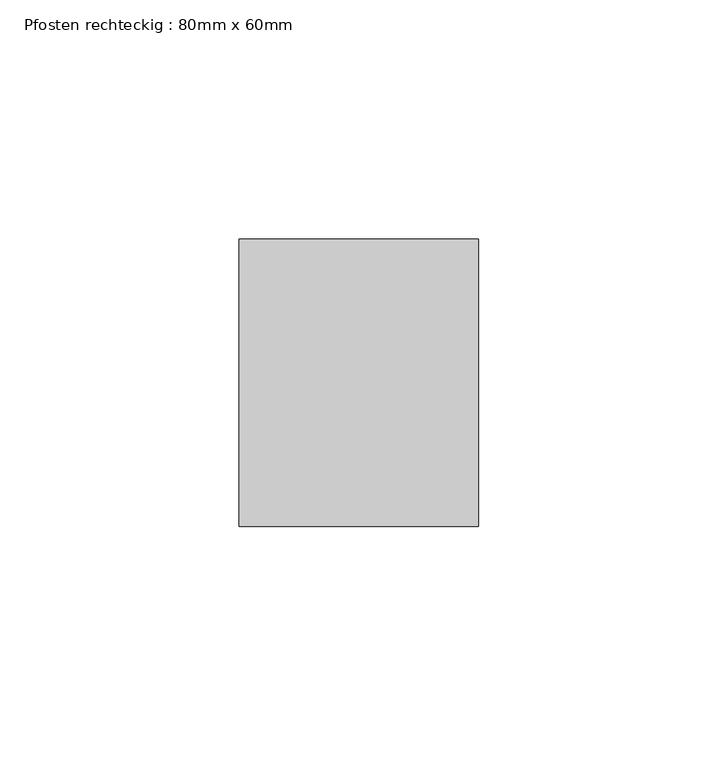
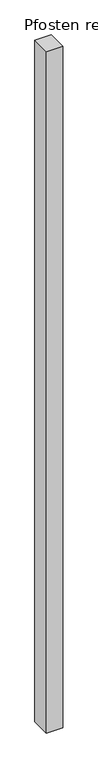
"""IFC4 building model written with IfcOpenShell, lengths in millimetres: member geometry, Pfosten rechteckig : 80mm x 60mm."""

import ifcopenshell
import ifcopenshell.guid

model = None  # the IFC model being written
_history = None  # IfcOwnerHistory: only IFC2X3 demands one
_inside = {}  # id of a spatial element -> (the spatial element, [elements in it])
_under = {}  # id of a project, library or spatial element -> (it, [spatial elements below it])
_declared = {}  # id of a project -> (the project, [libraries it declares])
_typed = {}  # id of a type object -> (the type object, [elements of that type])
_made_of = {}  # id of a material, layer set ... -> (it, [elements and type objects made of it])


def new_model(schema):
    """Start an empty IFC model of exactly this schema.

    Asked for "IFC4X3", IfcOpenShell would pick the latest addendum, in which some entities
    have other attributes; the version numbers below select the first issue.
    IFC2X3 requires an IfcOwnerHistory on every rooted entity: one is made here for all.
    """
    global model, _history
    if schema == "IFC4X3":
        model = ifcopenshell.file(schema_version=(4, 3, 0, 0))
    else:
        model = ifcopenshell.file(schema=schema)
    _inside.clear()
    _under.clear()
    _declared.clear()
    _typed.clear()
    _made_of.clear()
    _history = None
    if model.schema == "IFC2X3":
        org = make("IfcOrganization", Name="unknown")
        user = make(
            "IfcPersonAndOrganization",
            ThePerson=make("IfcPerson", FamilyName="unknown"),
            TheOrganization=org,
        )
        app = make(
            "IfcApplication",
            ApplicationDeveloper=org,
            Version="unknown",
            ApplicationFullName="unknown",
            ApplicationIdentifier="unknown",
        )
        _history = make(
            "IfcOwnerHistory",
            OwningUser=user,
            OwningApplication=app,
            ChangeAction="ADDED",
            CreationDate=0,
        )
    return model


def make(cls, **values):
    """One entity of the class cls with the attributes given. An attribute that is None is left unset."""
    return model.create_entity(
        cls, **{name: value for name, value in values.items() if value is not None}
    )


def rooted(cls, **values):
    """An entity with a GlobalId (a new one), such as an element, a storey or a relation."""
    return make(cls, GlobalId=ifcopenshell.guid.new(), OwnerHistory=_history, **values)


def si_unit(unit_type, name, prefix=None):
    """IfcSIUnit, for example si_unit("LENGTHUNIT", "METRE", prefix="MILLI")."""
    return make("IfcSIUnit", UnitType=unit_type, Prefix=prefix, Name=name)


def assignment(units):
    """IfcUnitAssignment: the units of a project."""
    return None if units is None else make("IfcUnitAssignment", Units=units)


def point(xyz):
    """IfcCartesianPoint."""
    return None if xyz is None else make("IfcCartesianPoint", Coordinates=xyz)


def direction(xyz):
    """IfcDirection."""
    return None if xyz is None else make("IfcDirection", DirectionRatios=xyz)


def frame(location, z_axis=None, x_axis=None):
    """IfcAxis2Placement3D, a coordinate frame: its origin and axes. An axis left out is left unset."""
    return make(
        "IfcAxis2Placement3D",
        Location=point(location),
        Axis=direction(z_axis),
        RefDirection=direction(x_axis),
    )


def origin():
    """The frame at (0, 0, 0) with its axes left unset."""
    return frame((0.0, 0.0, 0.0))


def place(relative_to, where):
    """IfcLocalPlacement: puts the frame where relative to a parent placement (None: the world)."""
    return make(
        "IfcLocalPlacement", PlacementRelTo=relative_to, RelativePlacement=where
    )


def context(
    kind, dimensions, precision=None, world=None, true_north=None, identifier=None
):
    """IfcGeometricRepresentationContext, for example the 3D "Model" context."""
    return make(
        "IfcGeometricRepresentationContext",
        ContextIdentifier=identifier,
        ContextType=kind,
        CoordinateSpaceDimension=dimensions,
        Precision=precision,
        WorldCoordinateSystem=world,
        TrueNorth=true_north,
    )


def project(units=None, contexts=None):
    """IfcProject with its units and contexts."""
    return rooted(
        "IfcProject",
        Name="project",
        RepresentationContexts=contexts,
        UnitsInContext=assignment(units),
    )


def spatial(cls, under=None, at=None, **own):
    """A site, building, storey or space (cls), placed at a placement, below another one or the project."""
    s = rooted(cls, ObjectPlacement=at, **own)
    if under is not None:
        _under.setdefault(under.id(), (under, []))[1].append(s)
    return s


def polyline(points):
    """IfcPolyline through the points."""
    return make("IfcPolyline", Points=[point(p) for p in points])


def outline(outer, holes=None, kind="AREA"):
    """IfcArbitraryClosedProfileDef: a profile drawn as a closed curve; with holes, ...WithVoids."""
    if holes is None:
        return make("IfcArbitraryClosedProfileDef", ProfileType=kind, OuterCurve=outer)
    return make(
        "IfcArbitraryProfileDefWithVoids",
        ProfileType=kind,
        OuterCurve=outer,
        InnerCurves=holes,
    )


def extrude(swept, where, along, depth):
    """IfcExtrudedAreaSolid: the profile swept, set in the frame where, extruded along a direction by depth."""
    return make(
        "IfcExtrudedAreaSolid",
        SweptArea=swept,
        Position=where,
        ExtrudedDirection=direction(along),
        Depth=depth,
    )


def shape(context_of_items, identifier, shape_type, items):
    """IfcShapeRepresentation: the items that make up one representation, for example the "Body"."""
    return make(
        "IfcShapeRepresentation",
        ContextOfItems=context_of_items,
        RepresentationIdentifier=identifier,
        RepresentationType=shape_type,
        Items=items,
    )


def source(mapping_origin, context_of_items, identifier, shape_type, items):
    """IfcRepresentationMap: a shape defined once, which mapped items show again and again."""
    return make(
        "IfcRepresentationMap",
        MappingOrigin=mapping_origin,
        MappedRepresentation=shape(context_of_items, identifier, shape_type, items),
    )


def transform(
    local_origin,
    x_axis=None,
    y_axis=None,
    z_axis=None,
    scale=None,
    scale2=None,
    scale3=None,
    uniform=True,
):
    """IfcCartesianTransformationOperator3D, or its non-uniform kind. x_axis, y_axis, z_axis: its Axis1, 2, 3."""
    if uniform:
        return make(
            "IfcCartesianTransformationOperator3D",
            Axis1=direction(x_axis),
            Axis2=direction(y_axis),
            LocalOrigin=point(local_origin),
            Scale=scale,
            Axis3=direction(z_axis),
        )
    return make(
        "IfcCartesianTransformationOperator3DnonUniform",
        Axis1=direction(x_axis),
        Axis2=direction(y_axis),
        LocalOrigin=point(local_origin),
        Scale=scale,
        Axis3=direction(z_axis),
        Scale2=scale2,
        Scale3=scale3,
    )


def mapped(mapping_source, mapping_target):
    """IfcMappedItem: shows the shape of a source again, moved by a transform."""
    return make(
        "IfcMappedItem", MappingSource=mapping_source, MappingTarget=mapping_target
    )


def made_of(thing, what):
    """Note that an element or type object is made of a material, layer set ...; save() writes the relation."""
    if what is not None:
        _made_of.setdefault(what.id(), (what, []))[1].append(thing)
    return thing


def element(
    cls,
    number,
    at=None,
    inside=None,
    cuts=None,
    type_object=None,
    material=None,
    context=None,
    identifier="Body",
    shape_type=None,
    held_by="IfcProductDefinitionShape",
    body=None,
    shapes=None,
    **own,
):
    """One element of the class cls, such as IfcWall. Its Tag is "e" and its number.

    at: its placement. inside: the storey or other place that contains it. cuts: it is an
    opening in that element (IfcRelVoidsElement). A single representation is given by context,
    identifier, shape_type and body (its items); several are given by shapes. held_by: the class
    of the entity that holds the representations. save() writes the other relations.
    """
    e = rooted(cls, Tag="e%d" % number, ObjectPlacement=at, **own)
    if body is not None:
        shapes = [shape(context, identifier, shape_type, body)]
    if shapes is not None:
        e.Representation = make(held_by, Representations=shapes)
    if inside is not None:
        _inside.setdefault(inside.id(), (inside, []))[1].append(e)
    if cuts is not None:
        rooted(
            "IfcRelVoidsElement", RelatingBuildingElement=cuts, RelatedOpeningElement=e
        )
    if type_object is not None:
        _typed.setdefault(type_object.id(), (type_object, []))[1].append(e)
    return made_of(e, material)


def aggregate(whole, parts):
    """IfcRelAggregates: a whole, such as a stair, and the parts it consists of."""
    return rooted("IfcRelAggregates", RelatingObject=whole, RelatedObjects=parts)


def save(model, path):
    """Write the relations noted so far, then the file.

    IfcRelAggregates (storeys below a building ...), IfcRelContainedInSpatialStructure (elements
    in a storey), IfcRelDefinesByType, IfcRelAssociatesMaterial and IfcRelDeclares: one each for
    every whole, place, type object, material and project.
    """
    for whole, parts in _under.values():
        aggregate(whole, parts)
    for where, things in _inside.values():
        rooted(
            "IfcRelContainedInSpatialStructure",
            RelatedElements=things,
            RelatingStructure=where,
        )
    for kind, things in _typed.values():
        rooted("IfcRelDefinesByType", RelatedObjects=things, RelatingType=kind)
    for what, things in _made_of.values():
        rooted("IfcRelAssociatesMaterial", RelatedObjects=things, RelatingMaterial=what)
    for by, libraries in _declared.values():
        rooted("IfcRelDeclares", RelatingContext=by, RelatedDefinitions=libraries)
    model.write(path)


def pfosten_rechteckig_80mm_x_60mm_f3273995(model_context):
    return source(origin(), model_context, "Body", "SweptSolid", [
        extrude(outline(polyline([(0.0, 30.0), (0.0, -30.0), (-50.0, -30.0), (-50.0, 30.0), (0.0, 30.0)])), frame((0.0, 0.0, -2185.0), z_axis=(0.0, 0.0, 1.0), x_axis=(1.0, 0.0, 0.0)), (0.0, 0.0, 1.0), 2185.0),
    ])


if __name__ == "__main__":
    model = new_model("IFC4")
    model_context = context("Model", 3, world=origin())
    ifc_project = project(units=[si_unit("LENGTHUNIT", "METRE", prefix="MILLI")], contexts=[model_context])
    site = spatial("IfcSite", under=ifc_project)
    building = spatial("IfcBuilding", under=site)
    placement = place(None, origin())
    pfosten_rechteckig_80mm_x_60mm_shape = pfosten_rechteckig_80mm_x_60mm_f3273995(model_context)
    element("IfcMember", 1, ObjectType="Pfosten rechteckig : 80mm x 60mm", at=placement, inside=building, context=model_context, shape_type="MappedRepresentation", body=[
        mapped(pfosten_rechteckig_80mm_x_60mm_shape, transform((0.0, 0.0, 0.0), x_axis=(1.0, 0.0, 0.0), y_axis=(0.0, 1.0, 0.0), z_axis=(0.0, 0.0, 1.0))),
    ])
    save(model, "model.ifc")
